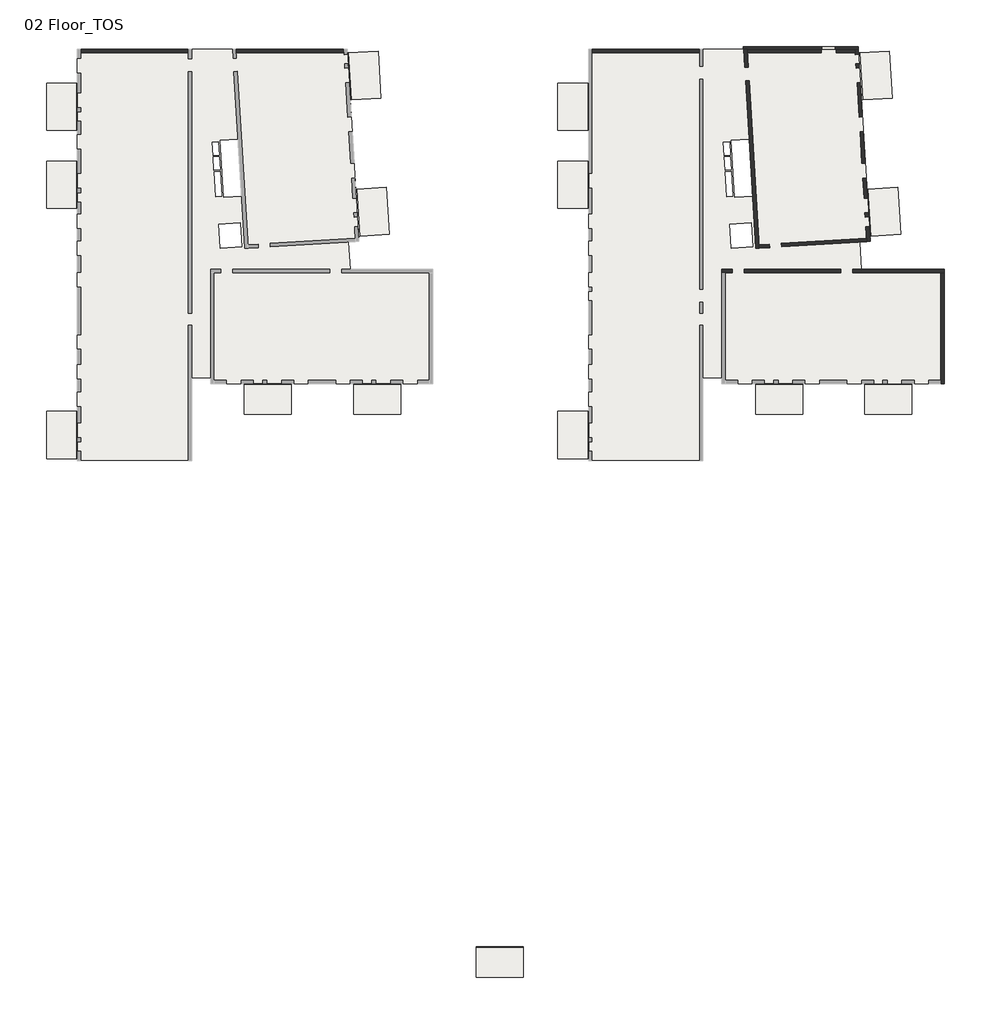
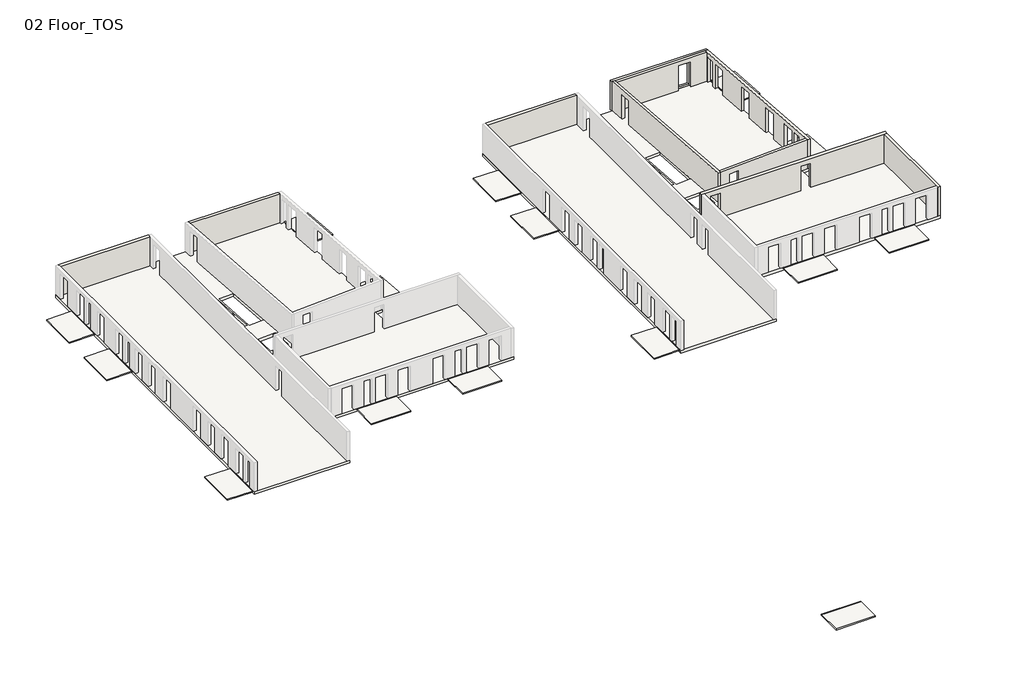
# One storey, part 2 of 2: 33 slabs, 10 walls.
"""IFC4 building model written with IfcOpenShell, lengths in millimetres."""

import ifcopenshell
import ifcopenshell.guid

model = None  # the IFC model being written
_history = None  # IfcOwnerHistory: only IFC2X3 demands one
_inside = {}  # id of a spatial element -> (the spatial element, [elements in it])
_under = {}  # id of a project, library or spatial element -> (it, [spatial elements below it])
_declared = {}  # id of a project -> (the project, [libraries it declares])
_typed = {}  # id of a type object -> (the type object, [elements of that type])
_made_of = {}  # id of a material, layer set ... -> (it, [elements and type objects made of it])


def new_model(schema):
    """Start an empty IFC model of exactly this schema.

    Asked for "IFC4X3", IfcOpenShell would pick the latest addendum, in which some entities
    have other attributes; the version numbers below select the first issue.
    IFC2X3 requires an IfcOwnerHistory on every rooted entity: one is made here for all.
    """
    global model, _history
    if schema == "IFC4X3":
        model = ifcopenshell.file(schema_version=(4, 3, 0, 0))
    else:
        model = ifcopenshell.file(schema=schema)
    _inside.clear()
    _under.clear()
    _declared.clear()
    _typed.clear()
    _made_of.clear()
    _history = None
    if model.schema == "IFC2X3":
        org = make("IfcOrganization", Name="unknown")
        user = make(
            "IfcPersonAndOrganization",
            ThePerson=make("IfcPerson", FamilyName="unknown"),
            TheOrganization=org,
        )
        app = make(
            "IfcApplication",
            ApplicationDeveloper=org,
            Version="unknown",
            ApplicationFullName="unknown",
            ApplicationIdentifier="unknown",
        )
        _history = make(
            "IfcOwnerHistory",
            OwningUser=user,
            OwningApplication=app,
            ChangeAction="ADDED",
            CreationDate=0,
        )
    return model


def make(cls, **values):
    """One entity of the class cls with the attributes given. An attribute that is None is left unset."""
    return model.create_entity(
        cls, **{name: value for name, value in values.items() if value is not None}
    )


def rooted(cls, **values):
    """An entity with a GlobalId (a new one), such as an element, a storey or a relation."""
    return make(cls, GlobalId=ifcopenshell.guid.new(), OwnerHistory=_history, **values)


def si_unit(unit_type, name, prefix=None):
    """IfcSIUnit, for example si_unit("LENGTHUNIT", "METRE", prefix="MILLI")."""
    return make("IfcSIUnit", UnitType=unit_type, Prefix=prefix, Name=name)


def assignment(units):
    """IfcUnitAssignment: the units of a project."""
    return None if units is None else make("IfcUnitAssignment", Units=units)


def point(xyz):
    """IfcCartesianPoint."""
    return None if xyz is None else make("IfcCartesianPoint", Coordinates=xyz)


def direction(xyz):
    """IfcDirection."""
    return None if xyz is None else make("IfcDirection", DirectionRatios=xyz)


def frame(location, z_axis=None, x_axis=None):
    """IfcAxis2Placement3D, a coordinate frame: its origin and axes. An axis left out is left unset."""
    return make(
        "IfcAxis2Placement3D",
        Location=point(location),
        Axis=direction(z_axis),
        RefDirection=direction(x_axis),
    )


def origin():
    """The frame at (0, 0, 0) with its axes left unset."""
    return frame((0.0, 0.0, 0.0))


def place(relative_to, where):
    """IfcLocalPlacement: puts the frame where relative to a parent placement (None: the world)."""
    return make(
        "IfcLocalPlacement", PlacementRelTo=relative_to, RelativePlacement=where
    )


def context(
    kind, dimensions, precision=None, world=None, true_north=None, identifier=None
):
    """IfcGeometricRepresentationContext, for example the 3D "Model" context."""
    return make(
        "IfcGeometricRepresentationContext",
        ContextIdentifier=identifier,
        ContextType=kind,
        CoordinateSpaceDimension=dimensions,
        Precision=precision,
        WorldCoordinateSystem=world,
        TrueNorth=true_north,
    )


def project(units=None, contexts=None):
    """IfcProject with its units and contexts."""
    return rooted(
        "IfcProject",
        Name="project",
        RepresentationContexts=contexts,
        UnitsInContext=assignment(units),
    )


def spatial(cls, under=None, at=None, **own):
    """A site, building, storey or space (cls), placed at a placement, below another one or the project."""
    s = rooted(cls, ObjectPlacement=at, **own)
    if under is not None:
        _under.setdefault(under.id(), (under, []))[1].append(s)
    return s


def polyline(points):
    """IfcPolyline through the points."""
    return make("IfcPolyline", Points=[point(p) for p in points])


def outline(outer, holes=None, kind="AREA"):
    """IfcArbitraryClosedProfileDef: a profile drawn as a closed curve; with holes, ...WithVoids."""
    if holes is None:
        return make("IfcArbitraryClosedProfileDef", ProfileType=kind, OuterCurve=outer)
    return make(
        "IfcArbitraryProfileDefWithVoids",
        ProfileType=kind,
        OuterCurve=outer,
        InnerCurves=holes,
    )


def extrude(swept, where, along, depth):
    """IfcExtrudedAreaSolid: the profile swept, set in the frame where, extruded along a direction by depth."""
    return make(
        "IfcExtrudedAreaSolid",
        SweptArea=swept,
        Position=where,
        ExtrudedDirection=direction(along),
        Depth=depth,
    )


def faces_of(points, faces, orient=None, outer=None):
    """IfcFace entities. A face is a list of loops; a loop is a list of indices into points, from 0.

    orient and outer hold one flag for each loop. By default every Orientation is true, the
    first loop of a face is its IfcFaceOuterBound and the others are IfcFaceBound.
    """
    made = []
    for i, loops in enumerate(faces):
        bounds = []
        for j, loop in enumerate(loops):
            is_outer = j == 0 if outer is None else outer[i][j]
            bounds.append(
                make(
                    "IfcFaceOuterBound" if is_outer else "IfcFaceBound",
                    Bound=make("IfcPolyLoop", Polygon=[points[k] for k in loop]),
                    Orientation=True if orient is None else orient[i][j],
                )
            )
        made.append(make("IfcFace", Bounds=bounds))
    return made


def faceted_brep(points, faces, orient=None, outer=None, voids=None):
    """IfcFacetedBrep: a solid bounded by flat faces; with voids (closed shells), ...WithVoids."""
    shared = [point(p) for p in points]
    hull = make("IfcClosedShell", CfsFaces=faces_of(shared, faces, orient, outer))
    if voids is None:
        return make("IfcFacetedBrep", Outer=hull)
    return make(
        "IfcFacetedBrepWithVoids",
        Outer=hull,
        Voids=[
            make(cls, CfsFaces=faces_of(shared, fs, o, b)) for cls, fs, o, b in voids
        ],
    )


def shape(context_of_items, identifier, shape_type, items):
    """IfcShapeRepresentation: the items that make up one representation, for example the "Body"."""
    return make(
        "IfcShapeRepresentation",
        ContextOfItems=context_of_items,
        RepresentationIdentifier=identifier,
        RepresentationType=shape_type,
        Items=items,
    )


def made_of(thing, what):
    """Note that an element or type object is made of a material, layer set ...; save() writes the relation."""
    if what is not None:
        _made_of.setdefault(what.id(), (what, []))[1].append(thing)
    return thing


def element(
    cls,
    number,
    at=None,
    inside=None,
    cuts=None,
    type_object=None,
    material=None,
    context=None,
    identifier="Body",
    shape_type=None,
    held_by="IfcProductDefinitionShape",
    body=None,
    shapes=None,
    **own,
):
    """One element of the class cls, such as IfcWall. Its Tag is "e" and its number.

    at: its placement. inside: the storey or other place that contains it. cuts: it is an
    opening in that element (IfcRelVoidsElement). A single representation is given by context,
    identifier, shape_type and body (its items); several are given by shapes. held_by: the class
    of the entity that holds the representations. save() writes the other relations.
    """
    e = rooted(cls, Tag="e%d" % number, ObjectPlacement=at, **own)
    if body is not None:
        shapes = [shape(context, identifier, shape_type, body)]
    if shapes is not None:
        e.Representation = make(held_by, Representations=shapes)
    if inside is not None:
        _inside.setdefault(inside.id(), (inside, []))[1].append(e)
    if cuts is not None:
        rooted(
            "IfcRelVoidsElement", RelatingBuildingElement=cuts, RelatedOpeningElement=e
        )
    if type_object is not None:
        _typed.setdefault(type_object.id(), (type_object, []))[1].append(e)
    return made_of(e, material)


def aggregate(whole, parts):
    """IfcRelAggregates: a whole, such as a stair, and the parts it consists of."""
    return rooted("IfcRelAggregates", RelatingObject=whole, RelatedObjects=parts)


def save(model, path):
    """Write the relations noted so far, then the file.

    IfcRelAggregates (storeys below a building ...), IfcRelContainedInSpatialStructure (elements
    in a storey), IfcRelDefinesByType, IfcRelAssociatesMaterial and IfcRelDeclares: one each for
    every whole, place, type object, material and project.
    """
    for whole, parts in _under.values():
        aggregate(whole, parts)
    for where, things in _inside.values():
        rooted(
            "IfcRelContainedInSpatialStructure",
            RelatedElements=things,
            RelatingStructure=where,
        )
    for kind, things in _typed.values():
        rooted("IfcRelDefinesByType", RelatedObjects=things, RelatingType=kind)
    for what, things in _made_of.values():
        rooted("IfcRelAssociatesMaterial", RelatedObjects=things, RelatingMaterial=what)
    for by, libraries in _declared.values():
        rooted("IfcRelDeclares", RelatingContext=by, RelatedDefinitions=libraries)
    model.write(path)


model = new_model("IFC4")

# Units and contexts
model_context = context("Model", 3, world=origin())
ifc_project = project(units=[si_unit("LENGTHUNIT", "METRE", prefix="MILLI")], contexts=[model_context])

# Site, building, storey
site = spatial("IfcSite", under=ifc_project)
building = spatial("IfcBuilding", under=site)
storey = spatial("IfcBuildingStorey", under=building, Name="02 Floor_TOS", Elevation=6850.0)

# Slabs
placement = place(None, origin())
element("IfcSlab", 1, at=placement, inside=storey, context=model_context, shape_type="SweptSolid", body=[
    extrude(outline(polyline([(30935.9325551, 8399.4012959), (30935.9325551, 8319.4012959), (27435.9325551, 8319.4012959), (27435.9325551, 8399.4012959), (30935.9325551, 8399.4012959)])), frame((0.0, 0.0, 6750.0), z_axis=(0.0, 0.0, 1.0), x_axis=(1.0, 0.0, 0.0)), (0.0, 0.0, 1.0), 100.0),
])
element("IfcSlab", 2, at=placement, inside=storey, context=model_context, shape_type="SweptSolid", body=[
    extrude(outline(polyline([(6899.5112257, 2834.7883888), (6819.5112257, 2834.7883888), (6819.5112257, 6334.7883888), (6899.5112257, 6334.7883888), (6899.5112257, 2834.7883888)])), frame((0.0, 0.0, 6750.0), z_axis=(0.0, 0.0, 1.0), x_axis=(1.0, 0.0, 0.0)), (0.0, 0.0, 1.0), 100.0),
])
element("IfcSlab", 3, at=placement, inside=storey, context=model_context, shape_type="SweptSolid", body=[
    extrude(outline(polyline([(22815.9325551, 8399.4012959), (22815.9325551, 8319.4012959), (19315.9325551, 8319.4012959), (19315.9325551, 8399.4012959), (22815.9325551, 8399.4012959)])), frame((0.0, 0.0, 6750.0), z_axis=(0.0, 0.0, 1.0), x_axis=(1.0, 0.0, 0.0)), (0.0, 0.0, 1.0), 100.0),
])
element("IfcSlab", 4, at=placement, inside=storey, context=model_context, shape_type="SweptSolid", body=[
    extrude(outline(polyline([(6899.5112257, 27241.429446), (6819.5112257, 27241.429446), (6819.5112257, 30741.429446), (6899.5112257, 30741.429446), (6899.5112257, 27241.429446)])), frame((0.0, 0.0, 6750.0), z_axis=(0.0, 0.0, 1.0), x_axis=(1.0, 0.0, 0.0)), (0.0, 0.0, 1.0), 100.0),
])
element("IfcSlab", 5, at=placement, inside=storey, context=model_context, shape_type="SweptSolid", body=[
    extrude(outline(polyline([(6899.5112471, 24920.9194272), (6899.5112471, 21420.9194272), (6819.5112471, 21420.9194272), (6819.5112471, 24920.9194272), (6899.5112471, 24920.9194272)])), frame((0.0, 0.0, 6750.0), z_axis=(0.0, 0.0, 1.0), x_axis=(1.0, 0.0, 0.0)), (0.0, 0.0, 1.0), 100.0),
])
element("IfcSlab", 6, at=placement, inside=storey, context=model_context, shape_type="SweptSolid", body=[
    extrude(outline(polyline([(27798.9442043, 19365.8863055), (27585.2743159, 22859.3581), (27665.1250998, 22864.2419831), (27878.7949882, 19370.7701886), (27798.9442043, 19365.8863055)])), frame((0.0, 0.0, 6750.0), z_axis=(0.0, 0.0, 1.0), x_axis=(1.0, 0.0, 0.0)), (0.0, 0.0, 1.0), 100.0),
])
element("IfcSlab", 7, at=placement, inside=storey, context=model_context, shape_type="SweptSolid", body=[
    extrude(outline(polyline([(26966.2421251, 32980.444956), (27046.0929089, 32985.3288391), (27259.7627973, 29491.8570446), (27179.9120134, 29486.9731615), (26966.2421251, 32980.444956)])), frame((0.0, 0.0, 6750.0), z_axis=(0.0, 0.0, 1.0), x_axis=(1.0, 0.0, 0.0)), (0.0, 0.0, 1.0), 100.0),
])
element("IfcSlab", 8, at=placement, inside=storey, context=model_context, shape_type="SweptSolid", body=[
    extrude(outline(polyline([(68935.9325551, 8399.4012959), (68935.9325551, 8319.4012959), (65435.9325551, 8319.4012959), (65435.9325551, 8399.4012959), (68935.9325551, 8399.4012959)])), frame((0.0, 0.0, 6750.0), z_axis=(0.0, 0.0, 1.0), x_axis=(1.0, 0.0, 0.0)), (0.0, 0.0, 1.0), 100.0),
])
element("IfcSlab", 9, at=placement, inside=storey, context=model_context, shape_type="SweptSolid", body=[
    extrude(outline(polyline([(60815.9325551, 8399.4012959), (60815.9325551, 8319.4012959), (57315.9325551, 8319.4012959), (57315.9325551, 8399.4012959), (60815.9325551, 8399.4012959)])), frame((0.0, 0.0, 6750.0), z_axis=(0.0, 0.0, 1.0), x_axis=(1.0, 0.0, 0.0)), (0.0, 0.0, 1.0), 100.0),
])
element("IfcSlab", 10, at=placement, inside=storey, context=model_context, shape_type="SweptSolid", body=[
    extrude(outline(polyline([(44899.5112257, 27241.429446), (44819.5112257, 27241.429446), (44819.5112257, 30741.429446), (44899.5112257, 30741.429446), (44899.5112257, 27241.429446)])), frame((0.0, 0.0, 6750.0), z_axis=(0.0, 0.0, 1.0), x_axis=(1.0, 0.0, 0.0)), (0.0, 0.0, 1.0), 100.0),
])
element("IfcSlab", 11, at=placement, inside=storey, context=model_context, shape_type="SweptSolid", body=[
    extrude(outline(polyline([(44899.5112471, 24920.9194272), (44899.5112471, 21420.9194272), (44819.5112471, 21420.9194272), (44819.5112471, 24920.9194272), (44899.5112471, 24920.9194272)])), frame((0.0, 0.0, 6750.0), z_axis=(0.0, 0.0, 1.0), x_axis=(1.0, 0.0, 0.0)), (0.0, 0.0, 1.0), 100.0),
])
element("IfcSlab", 12, at=placement, inside=storey, context=model_context, shape_type="SweptSolid", body=[
    extrude(outline(polyline([(65798.9442043, 19365.8863055), (65585.2743159, 22859.3581), (65665.1250998, 22864.2419831), (65878.7949882, 19370.7701886), (65798.9442043, 19365.8863055)])), frame((0.0, 0.0, 6750.0), z_axis=(0.0, 0.0, 1.0), x_axis=(1.0, 0.0, 0.0)), (0.0, 0.0, 1.0), 100.0),
])
element("IfcSlab", 13, at=placement, inside=storey, context=model_context, shape_type="SweptSolid", body=[
    extrude(outline(polyline([(44899.5112257, 2834.7883888), (44819.5112257, 2834.7883888), (44819.5112257, 6334.7883888), (44899.5112257, 6334.7883888), (44899.5112257, 2834.7883888)])), frame((0.0, 0.0, 6750.0), z_axis=(0.0, 0.0, 1.0), x_axis=(1.0, 0.0, 0.0)), (0.0, 0.0, 1.0), 100.0),
])
element("IfcSlab", 14, at=placement, inside=storey, context=model_context, shape_type="SweptSolid", body=[
    extrude(outline(polyline([(64966.2421251, 32980.444956), (65046.0929089, 32985.3288391), (65259.7627973, 29491.8570446), (65179.9120134, 29486.9731615), (64966.2421251, 32980.444956)])), frame((0.0, 0.0, 6750.0), z_axis=(0.0, 0.0, 1.0), x_axis=(1.0, 0.0, 0.0)), (0.0, 0.0, 1.0), 100.0),
])
element("IfcSlab", 15, at=placement, inside=storey, context=model_context, shape_type="SweptSolid", body=[
    extrude(outline(polyline([(44899.5112257, 2834.7883888), (44819.5112257, 2834.7883888), (44819.5112257, 6334.7883888), (44899.5112257, 6334.7883888), (44899.5112257, 2834.7883888)])), frame((0.0, 0.0, 6750.0), z_axis=(0.0, 0.0, 1.0), x_axis=(1.0, 0.0, 0.0)), (0.0, 0.0, 1.0), 100.0),
])
element("IfcSlab", 16, at=placement, inside=storey, context=model_context, shape_type="SweptSolid", body=[
    extrude(outline(polyline([(40051.5348772, -33444.8981251), (40051.5348772, -33524.8981251), (36551.5348772, -33524.8981251), (36551.5348772, -33444.8981251), (40051.5348772, -33444.8981251)])), frame((0.0, 0.0, 6750.0), z_axis=(0.0, 0.0, 1.0), x_axis=(1.0, 0.0, 0.0)), (0.0, 0.0, 1.0), 100.0),
])
element("IfcSlab", 17, ObjectType="I_STB (10)", at=placement, inside=storey, context=model_context, shape_type="SweptSolid", body=[
    extrude(outline(polyline([(30935.9325551, 6109.4012767), (27435.9325551, 6109.4012767), (27435.9325551, 8319.4012959), (30935.9325551, 8319.4012959), (30935.9325551, 6109.4012767)])), frame((0.0, 0.0, 6750.0), z_axis=(0.0, 0.0, 1.0), x_axis=(1.0, 0.0, 0.0)), (0.0, 0.0, 1.0), 100.0),
])
element("IfcSlab", 18, ObjectType="I_STB (10)", at=placement, inside=storey, context=model_context, shape_type="SweptSolid", body=[
    extrude(outline(polyline([(4609.5112064, 2834.7883888), (4609.5112064, 6334.7883888), (6819.5112257, 6334.7883888), (6819.5112257, 2834.7883888), (4609.5112064, 2834.7883888)])), frame((0.0, 0.0, 6750.0), z_axis=(0.0, 0.0, 1.0), x_axis=(1.0, 0.0, 0.0)), (0.0, 0.0, 1.0), 100.0),
])
element("IfcSlab", 19, ObjectType="I_STB (10)", at=placement, inside=storey, context=model_context, shape_type="SweptSolid", body=[
    extrude(outline(polyline([(22815.9325551, 6109.4012767), (19315.9325551, 6109.4012767), (19315.9325551, 8319.4012959), (22815.9325551, 8319.4012959), (22815.9325551, 6109.4012767)])), frame((0.0, 0.0, 6750.0), z_axis=(0.0, 0.0, 1.0), x_axis=(1.0, 0.0, 0.0)), (0.0, 0.0, 1.0), 100.0),
])
element("IfcSlab", 20, ObjectType="I_STB (10)", at=placement, inside=storey, context=model_context, shape_type="SweptSolid", body=[
    extrude(outline(polyline([(4609.5112064, 27241.429446), (4609.5112064, 30741.429446), (6819.5112257, 30741.429446), (6819.5112257, 27241.429446), (4609.5112064, 27241.429446)])), frame((0.0, 0.0, 6750.0), z_axis=(0.0, 0.0, 1.0), x_axis=(1.0, 0.0, 0.0)), (0.0, 0.0, 1.0), 100.0),
])
element("IfcSlab", 21, ObjectType="I_STB (10)", at=placement, inside=storey, context=model_context, shape_type="SweptSolid", body=[
    extrude(outline(polyline([(4609.5112278, 24920.9194272), (6819.5112471, 24920.9194272), (6819.5112471, 21420.9194272), (4609.5112278, 21420.9194272), (4609.5112278, 24920.9194272)])), frame((0.0, 0.0, 6750.0), z_axis=(0.0, 0.0, 1.0), x_axis=(1.0, 0.0, 0.0)), (0.0, 0.0, 1.0), 100.0),
])
element("IfcSlab", 22, ObjectType="I_STB (10)", at=placement, inside=storey, context=model_context, shape_type="SweptSolid", body=[
    extrude(outline(polyline([(30084.6729119, 19505.6874622), (27878.7949882, 19370.7701886), (27665.1250998, 22864.2419831), (29871.0030236, 22999.1592567), (30084.6729119, 19505.6874622)])), frame((0.0, 0.0, 6750.0), z_axis=(0.0, 0.0, 1.0), x_axis=(1.0, 0.0, 0.0)), (0.0, 0.0, 1.0), 100.0),
])
element("IfcSlab", 23, ObjectType="I_STB (10)", at=placement, inside=storey, context=model_context, shape_type="SweptSolid", body=[
    extrude(outline(polyline([(29251.9708327, 33120.2461127), (29465.640721, 29626.7743182), (27259.7627973, 29491.8570446), (27046.0929089, 32985.3288391), (29251.9708327, 33120.2461127)])), frame((0.0, 0.0, 6750.0), z_axis=(0.0, 0.0, 1.0), x_axis=(1.0, 0.0, 0.0)), (0.0, 0.0, 1.0), 100.0),
])
element("IfcSlab", 24, ObjectType="I_STB (10)", at=placement, inside=storey, context=model_context, shape_type="SweptSolid", body=[
    extrude(outline(polyline([(68935.9325551, 6109.4012767), (65435.9325551, 6109.4012767), (65435.9325551, 8319.4012959), (68935.9325551, 8319.4012959), (68935.9325551, 6109.4012767)])), frame((0.0, 0.0, 6750.0), z_axis=(0.0, 0.0, 1.0), x_axis=(1.0, 0.0, 0.0)), (0.0, 0.0, 1.0), 100.0),
])
element("IfcSlab", 25, ObjectType="I_STB (10)", at=placement, inside=storey, context=model_context, shape_type="SweptSolid", body=[
    extrude(outline(polyline([(60815.9325551, 6109.4012767), (57315.9325551, 6109.4012767), (57315.9325551, 8319.4012959), (60815.9325551, 8319.4012959), (60815.9325551, 6109.4012767)])), frame((0.0, 0.0, 6750.0), z_axis=(0.0, 0.0, 1.0), x_axis=(1.0, 0.0, 0.0)), (0.0, 0.0, 1.0), 100.0),
])
element("IfcSlab", 26, ObjectType="I_STB (10)", at=placement, inside=storey, context=model_context, shape_type="SweptSolid", body=[
    extrude(outline(polyline([(42609.5112064, 27241.429446), (42609.5112064, 30741.429446), (44819.5112257, 30741.429446), (44819.5112257, 27241.429446), (42609.5112064, 27241.429446)])), frame((0.0, 0.0, 6750.0), z_axis=(0.0, 0.0, 1.0), x_axis=(1.0, 0.0, 0.0)), (0.0, 0.0, 1.0), 100.0),
])
element("IfcSlab", 27, ObjectType="I_STB (10)", at=placement, inside=storey, context=model_context, shape_type="SweptSolid", body=[
    extrude(outline(polyline([(42609.5112278, 24920.9194272), (44819.5112471, 24920.9194272), (44819.5112471, 21420.9194272), (42609.5112278, 21420.9194272), (42609.5112278, 24920.9194272)])), frame((0.0, 0.0, 6750.0), z_axis=(0.0, 0.0, 1.0), x_axis=(1.0, 0.0, 0.0)), (0.0, 0.0, 1.0), 100.0),
])
element("IfcSlab", 28, ObjectType="I_STB (10)", at=placement, inside=storey, context=model_context, shape_type="SweptSolid", body=[
    extrude(outline(polyline([(68084.6729119, 19505.6874622), (65878.7949882, 19370.7701886), (65665.1250998, 22864.2419831), (67871.0030236, 22999.1592567), (68084.6729119, 19505.6874622)])), frame((0.0, 0.0, 6750.0), z_axis=(0.0, 0.0, 1.0), x_axis=(1.0, 0.0, 0.0)), (0.0, 0.0, 1.0), 100.0),
])
element("IfcSlab", 29, ObjectType="I_STB (10)", at=placement, inside=storey, context=model_context, shape_type="SweptSolid", body=[
    extrude(outline(polyline([(67251.9708327, 33120.2461127), (67465.640721, 29626.7743182), (65259.7627973, 29491.8570446), (65046.0929089, 32985.3288391), (67251.9708327, 33120.2461127)])), frame((0.0, 0.0, 6750.0), z_axis=(0.0, 0.0, 1.0), x_axis=(1.0, 0.0, 0.0)), (0.0, 0.0, 1.0), 100.0),
])
element("IfcSlab", 30, ObjectType="I_STB (10)", at=placement, inside=storey, context=model_context, shape_type="SweptSolid", body=[
    extrude(outline(polyline([(42609.5112064, 2834.7883888), (42609.5112064, 6334.7883888), (44819.5112257, 6334.7883888), (44819.5112257, 2834.7883888), (42609.5112064, 2834.7883888)])), frame((0.0, 0.0, 6750.0), z_axis=(0.0, 0.0, 1.0), x_axis=(1.0, 0.0, 0.0)), (0.0, 0.0, 1.0), 100.0),
])
element("IfcSlab", 31, ObjectType="I_STB (10)", at=placement, inside=storey, context=model_context, shape_type="SweptSolid", body=[
    extrude(outline(polyline([(40051.5348772, -35734.8981444), (36551.5348772, -35734.8981444), (36551.5348772, -33524.8981251), (40051.5348772, -33524.8981251), (40051.5348772, -35734.8981444)])), frame((0.0, 0.0, 6750.0), z_axis=(0.0, 0.0, 1.0), x_axis=(1.0, 0.0, 0.0)), (0.0, 0.0, 1.0), 100.0),
])
element("IfcSlab", 32, ObjectType="I_STB (20)", at=placement, inside=storey, context=model_context, shape_type="SweptSolid", body=[
    extrude(outline(polyline([(6899.5112257, 33257.8507754), (26949.2752583, 33257.8507754), (27822.7531326, 18976.6137696), (27044.2722099, 18928.9998366), (27168.4077745, 16899.4012959), (33319.5112257, 16899.4012959), (33319.5112257, 8399.4012959), (16799.5112257, 8399.4012959), (16799.5112257, 8823.2434159), (15399.5112257, 8823.2434159), (15399.5112257, 2692.8585978), (6899.5112257, 2692.8585978), (6899.5112257, 33257.8507754)]), holes=[polyline([(17504.433014, 18470.7518615), (19101.4051178, 18568.4268596), (18991.5177466, 20365.0694968), (17394.5456428, 20267.3944986), (17504.433014, 18470.7518615)]), polyline([(17173.5331049, 22311.9224189), (17622.6882895, 22339.4836255), (17509.3814935, 24186.0106316), (17060.2263089, 24158.449425), (17173.5331049, 22311.9224189)]), polyline([(17435.8852037, 25383.7577105), (17374.6382907, 26381.8803561), (16925.4831002, 26354.3192453), (16986.7300132, 25356.1965997), (17435.8852037, 25383.7577105)]), polyline([(17054.1016176, 24258.2616895), (17503.2568022, 24285.8228961), (17442.009895, 25283.945446), (16992.8547045, 25256.3843351), (17054.1016176, 24258.2616895)]), polyline([(17518.2319962, 26490.8796577), (17778.5313767, 22248.8584139), (19101.7638971, 22330.0547553), (18842.3075989, 26572.1277324), (17518.2319962, 26490.8796577)])]), frame((0.0, 0.0, 6600.0), z_axis=(0.0, 0.0, 1.0), x_axis=(1.0, 0.0, 0.0)), (0.0, 0.0, 1.0), 250.0),
])
element("IfcSlab", 33, ObjectType="I_STB (20)", at=placement, inside=storey, context=model_context, shape_type="SweptSolid", body=[
    extrude(outline(polyline([(44899.5112257, 33257.8507754), (64949.2752583, 33257.8507754), (65822.7531326, 18976.6137696), (65044.2722099, 18928.9998366), (65168.4077745, 16899.4012959), (71319.5112257, 16899.4012959), (71319.5112257, 8399.4012959), (54799.5112257, 8399.4012959), (54799.5112257, 8823.2434159), (53399.5112257, 8823.2434159), (53399.5112257, 2692.8585978), (44899.5112257, 2692.8585978), (44899.5112257, 33257.8507754)]), holes=[polyline([(55504.433014, 18470.7518615), (57101.4051178, 18568.4268596), (56991.5177466, 20365.0694968), (55394.5456428, 20267.3944986), (55504.433014, 18470.7518615)]), polyline([(55173.5331049, 22311.9224189), (55622.6882895, 22339.4836255), (55509.3814935, 24186.0106316), (55060.2263089, 24158.449425), (55173.5331049, 22311.9224189)]), polyline([(55435.8852037, 25383.7577105), (55374.6382907, 26381.8803561), (54925.4831002, 26354.3192453), (54986.7300132, 25356.1965997), (55435.8852037, 25383.7577105)]), polyline([(55054.1016176, 24258.2616895), (55503.2568022, 24285.8228961), (55442.009895, 25283.945446), (54992.8547045, 25256.3843351), (55054.1016176, 24258.2616895)]), polyline([(55518.2319962, 26490.8796577), (55778.5313767, 22248.8584139), (57101.7638971, 22330.0547553), (56842.3075989, 26572.1277324), (55518.2319962, 26490.8796577)])]), frame((0.0, 0.0, 6600.0), z_axis=(0.0, 0.0, 1.0), x_axis=(1.0, 0.0, 0.0)), (0.0, 0.0, 1.0), 250.0),
])

# Walls
element("IfcWall", 34, ObjectType="GK(2) WD(15)", at=placement, inside=storey, context=model_context, shape_type="Brep", body=[
    faceted_brep([(64949.2752583, 33257.8507754, 9600.0), (56389.7049222, 33257.8507754, 9600.0), (56389.7049222, 33257.8507754, 6850.0), (62196.0766084, 33257.8507754, 6850.0), (63296.0766084, 33257.8507754, 6850.0), (64949.2752583, 33257.8507754, 6850.0), (63246.0766084, 33257.8507754, 9150.0), (63246.0766084, 33257.8507754, 7000.0), (62246.0766084, 33257.8507754, 7000.0), (62246.0766084, 33257.8507754, 9150.0), (64937.0427343, 33457.8507754, 6850.0), (56389.7049222, 33457.8507754, 6850.0), (56389.7049222, 33457.8507754, 9600.0), (64937.0427343, 33457.8507754, 9600.0), (63246.0766084, 33457.8507754, 6990.0), (63246.0766084, 33457.8507754, 9150.0), (62246.0766084, 33457.8507754, 9150.0), (62246.0766084, 33457.8507754, 6990.0)], [[[0, 1, 2, 3, 4, 5], [6, 7, 8, 9]], [[10, 11, 12, 13], [14, 15, 16, 17]], [[11, 10, 5, 4, 3, 2]], [[1, 0, 13, 12]], [[2, 1, 12, 11]], [[0, 5, 10, 13]], [[14, 7, 6, 15]], [[7, 14, 17, 8]], [[8, 17, 16, 9]], [[15, 6, 9, 16]]]),
])
element("IfcWall", 35, ObjectType="STB(25)", at=placement, inside=storey, context=model_context, shape_type="SweptSolid", body=[
    extrude(outline(polyline([(15149.5112257, 33007.8507754), (7084.5112257, 33007.8507754), (7084.5112257, 33257.8507754), (15149.5112257, 33257.8507754), (15149.5112257, 33007.8507754)])), frame((0.0, 0.0, 6850.0), z_axis=(0.0, 0.0, 1.0), x_axis=(1.0, 0.0, 0.0)), (0.0, 0.0, 1.0), 2750.0),
])
element("IfcWall", 36, ObjectType="STB(25)", at=placement, inside=storey, context=model_context, shape_type="Brep", body=[
    faceted_brep([(64949.2752583, 33257.8507754, 9600.0), (65822.7531326, 18976.6137696, 9600.0), (65822.7531326, 18976.6137696, 6850.0), (65754.3968698, 20094.228786, 6850.0), (65754.3968698, 20094.228786, 9200.0), (65711.6628922, 20792.9231449, 9200.0), (65711.6628922, 20792.9231449, 6850.0), (65692.7378448, 21102.3449336, 6850.0), (65692.7378448, 21102.3449336, 9200.0), (65625.5844513, 22200.2932118, 9200.0), (65625.5844513, 22200.2932118, 6850.0), (65534.1772783, 23694.7872811, 6850.0), (65534.1772783, 23694.7872811, 9200.0), (65467.0238848, 24792.7355593, 9200.0), (65467.0238848, 24792.7355593, 6850.0), (65324.1703023, 27128.3709876, 6850.0), (65324.1703023, 27128.3709876, 9200.0), (65257.0169088, 28226.3192659, 9200.0), (65257.0169088, 28226.3192659, 6850.0), (65101.343133, 30771.5630019, 6850.0), (65101.343133, 30771.5630019, 9200.0), (65034.1897395, 31869.5112801, 9200.0), (65034.1897395, 31869.5112801, 6850.0), (65015.2646922, 32178.9330676, 6850.0), (65015.2646922, 32178.9330676, 9200.0), (64972.5307145, 32877.6274265, 9200.0), (64972.5307145, 32877.6274265, 6850.0), (64949.2752583, 33257.8507754, 6850.0), (65573.2194329, 18961.3516347, 9600.0), (65557.9572981, 19210.8853343, 9600.0), (64714.0987416, 33007.8507754, 9600.0), (64698.8080865, 33257.8507754, 9600.0), (64698.8080865, 33257.8507754, 6850.0), (64714.0987416, 33007.8507754, 6850.0), (64722.9970149, 32862.3652917, 6850.0), (64722.9970149, 32862.3652917, 9200.0), (64765.7309926, 32163.6709328, 9200.0), (64765.7309926, 32163.6709328, 6850.0), (64784.6560399, 31854.2491452, 6850.0), (64784.6560399, 31854.2491452, 9200.0), (64851.8094334, 30756.300867, 9200.0), (64851.8094334, 30756.300867, 6850.0), (65007.4832092, 28211.057131, 6850.0), (65007.4832092, 28211.057131, 9200.0), (65074.6366027, 27113.1088527, 9200.0), (65074.6366027, 27113.1088527, 6850.0), (65217.4901852, 24777.4734244, 6850.0), (65217.4901852, 24777.4734244, 9200.0), (65284.6435787, 23679.5251462, 9200.0), (65284.6435787, 23679.5251462, 6850.0), (65376.0507517, 22185.031077, 6850.0), (65376.0507517, 22185.031077, 9200.0), (65443.2041452, 21087.0827987, 9200.0), (65443.2041452, 21087.0827987, 6850.0), (65462.1291926, 20777.66101, 6850.0), (65462.1291926, 20777.66101, 9200.0), (65504.8631702, 20078.9666511, 9200.0), (65504.8631702, 20078.9666511, 6850.0), (65557.9572981, 19210.8853343, 6850.0), (65573.2194329, 18961.3516347, 6850.0)], [[[0, 1, 2, 3, 4, 5, 6, 7, 8, 9, 10, 11, 12, 13, 14, 15, 16, 17, 18, 19, 20, 21, 22, 23, 24, 25, 26, 27]], [[28, 29, 30, 31, 32, 33, 34, 35, 36, 37, 38, 39, 40, 41, 42, 43, 44, 45, 46, 47, 48, 49, 50, 51, 52, 53, 54, 55, 56, 57, 58, 59]], [[37, 23, 22, 38]], [[2, 59, 58, 57, 3]], [[41, 19, 18, 42]], [[10, 50, 49, 11]], [[53, 7, 6, 54]], [[26, 34, 33, 32, 27]], [[45, 15, 14, 46]], [[1, 0, 31, 30, 29, 28]], [[25, 35, 34, 26]], [[36, 24, 23, 37]], [[56, 4, 3, 57]], [[5, 55, 54, 6]], [[2, 1, 28, 59]], [[20, 40, 39, 21]], [[40, 20, 19, 41]], [[21, 39, 38, 22]], [[8, 52, 51, 9]], [[9, 51, 50, 10]], [[52, 8, 7, 53]], [[24, 36, 35, 25]], [[4, 56, 55, 5]], [[16, 44, 43, 17]], [[44, 16, 15, 45]], [[17, 43, 42, 18]], [[12, 48, 47, 13]], [[48, 12, 11, 49]], [[13, 47, 46, 14]], [[0, 27, 32, 31]]]),
])
element("IfcWall", 37, ObjectType="STB(25)", at=placement, inside=storey, context=model_context, shape_type="SweptSolid", body=[
    extrude(outline(polyline([(8533.3975569, -2750.0), (533.397399, -2750.0), (533.397399, 0.0), (1298.4461631, 0.0), (1298.4461631, -2295.0), (2188.4461631, -2295.0), (2188.4461631, 0.0), (8533.3975569, 0.0), (8533.3975569, -2750.0)])), frame((57055.7383826, 18440.4001766, 6850.0), z_axis=(-0.06104853953485425, 0.9981347984218671, 0.0), x_axis=(0.9981347984218671, 0.06104853953485425, 0.0)), (0.0, 0.0, 1.0), 250.0),
])
element("IfcWall", 38, ObjectType="STB(25)", at=placement, inside=storey, context=model_context, shape_type="Brep", body=[
    faceted_brep([(57338.6071883, 18457.7011739, 9600.0), (56433.39126, 33257.8507754, 9600.0), (56433.39126, 33257.8507754, 6850.0), (56516.2833651, 31902.5768377, 6850.0), (56516.2833651, 31902.5768377, 9145.0), (56576.7214192, 30914.4233872, 9145.0), (56576.7214192, 30914.4233872, 6850.0), (57338.6071883, 18457.7011739, 6850.0), (56683.8584318, 33257.8507754, 9600.0), (56699.1490868, 33007.8507754, 9600.0), (57572.878753, 18722.4970084, 9600.0), (57588.1408879, 18472.9633088, 9600.0), (57588.1408879, 18472.9633088, 6850.0), (57572.878753, 18722.4970084, 6850.0), (56826.2551188, 30929.6855221, 6850.0), (56826.2551188, 30929.6855221, 9145.0), (56765.8170647, 31917.8389725, 9145.0), (56765.8170647, 31917.8389725, 6850.0), (56699.1490868, 33007.8507754, 6850.0), (56683.8584318, 33257.8507754, 6850.0)], [[[0, 1, 2, 3, 4, 5, 6, 7]], [[8, 9, 10, 11, 12, 13, 14, 15, 16, 17, 18, 19]], [[12, 7, 6, 14, 13]], [[2, 19, 18, 17, 3]], [[1, 0, 11, 10, 9, 8]], [[0, 7, 12, 11]], [[5, 15, 14, 6]], [[16, 4, 3, 17]], [[15, 5, 4, 16]], [[2, 1, 8, 19]]]),
])
element("IfcWall", 39, ObjectType="STB(25)", at=placement, inside=storey, context=model_context, shape_type="Brep", body=[
    faceted_brep([(71319.5112257, 16649.4012959, 9600.0), (71069.5112257, 16649.4012959, 9600.0), (55049.5112257, 16649.4012959, 9600.0), (54799.5112257, 16649.4012959, 9600.0), (54799.5112257, 16649.4012959, 6850.0), (55049.5112257, 16649.4012959, 6850.0), (55569.2673858, 16649.4012959, 6850.0), (55569.2673858, 16649.4012959, 9145.0), (56459.2673858, 16649.4012959, 9145.0), (56459.2673858, 16649.4012959, 6850.0), (63659.2606665, 16649.4012959, 6850.0), (63659.2606665, 16649.4012959, 9145.0), (64549.2606665, 16649.4012959, 9145.0), (64549.2606665, 16649.4012959, 6850.0), (71069.5112257, 16649.4012959, 6850.0), (71319.5112257, 16649.4012959, 6850.0), (54799.5112257, 16899.4012959, 9600.0), (71319.5112257, 16899.4012959, 9600.0), (71319.5112257, 16899.4012959, 6850.0), (64549.2606665, 16899.4012959, 6850.0), (64549.2606665, 16899.4012959, 9145.0), (63659.2606665, 16899.4012959, 9145.0), (63659.2606665, 16899.4012959, 6850.0), (56459.2673858, 16899.4012959, 6850.0), (56459.2673858, 16899.4012959, 9145.0), (55569.2673858, 16899.4012959, 9145.0), (55569.2673858, 16899.4012959, 6850.0), (54799.5112257, 16899.4012959, 6850.0)], [[[0, 1, 2, 3, 4, 5, 6, 7, 8, 9, 10, 11, 12, 13, 14, 15]], [[16, 17, 18, 19, 20, 21, 22, 23, 24, 25, 26, 27]], [[6, 5, 4, 27, 26]], [[18, 15, 14, 13, 19]], [[9, 23, 22, 10]], [[3, 2, 1, 0, 17, 16]], [[4, 3, 16, 27]], [[0, 15, 18, 17]], [[7, 6, 26, 25]], [[9, 8, 24, 23]], [[8, 7, 25, 24]], [[21, 11, 10, 22]], [[12, 20, 19, 13]], [[11, 21, 20, 12]]]),
])
element("IfcWall", 40, ObjectType="STB(25)", at=placement, inside=storey, context=model_context, shape_type="Brep", body=[
    faceted_brep([(71319.5112257, 8399.4012959, 6850.0), (71319.5112257, 16649.4012959, 6850.0), (71319.5112257, 16649.4012959, 9600.0), (71319.5112257, 8399.4012959, 9600.0), (71069.5112257, 8399.4012959, 6850.0), (71069.5112257, 8399.4012959, 9600.0), (71069.5112257, 8649.4012959, 9600.0), (71069.5112257, 16649.4012959, 9600.0), (71069.5112257, 16649.4012959, 6850.0), (71069.5112257, 8649.4012959, 6850.0)], [[[0, 1, 2, 3]], [[4, 5, 6, 7, 8, 9]], [[1, 0, 4, 9, 8]], [[3, 2, 7, 6, 5]], [[2, 1, 8, 7]], [[0, 3, 5, 4]]]),
])
element("IfcWall", 41, ObjectType="STB(25)", at=placement, inside=storey, context=model_context, shape_type="SweptSolid", body=[
    extrude(outline(polyline([(53149.5112257, 33007.8507754), (45149.5112257, 33007.8507754), (45149.5112257, 33257.8507754), (53149.5112257, 33257.8507754), (53149.5112257, 33007.8507754)])), frame((0.0, 0.0, 6850.0), z_axis=(0.0, 0.0, 1.0), x_axis=(1.0, 0.0, 0.0)), (0.0, 0.0, 1.0), 2750.0),
])
element("IfcWall", 42, ObjectType="STB(25)", at=placement, inside=storey, context=model_context, shape_type="Brep", body=[
    faceted_brep([(64714.0987416, 33007.8507754, 9600.0), (56699.1490868, 33007.8507754, 9600.0), (56699.1490868, 33007.8507754, 6850.0), (62196.0766084, 33007.8507754, 6850.0), (62196.0766084, 33007.8507754, 9200.0), (63296.0766084, 33007.8507754, 9200.0), (63296.0766084, 33007.8507754, 6850.0), (64714.0987416, 33007.8507754, 6850.0), (56683.8584318, 33257.8507754, 9600.0), (64698.8080865, 33257.8507754, 9600.0), (64698.8080865, 33257.8507754, 6850.0), (63296.0766084, 33257.8507754, 6850.0), (63296.0766084, 33257.8507754, 9200.0), (62196.0766084, 33257.8507754, 9200.0), (62196.0766084, 33257.8507754, 6850.0), (56683.8584318, 33257.8507754, 6850.0)], [[[0, 1, 2, 3, 4, 5, 6, 7]], [[8, 9, 10, 11, 12, 13, 14, 15]], [[2, 15, 14, 3]], [[10, 7, 6, 11]], [[1, 0, 9, 8]], [[2, 1, 8, 15]], [[0, 7, 10, 9]], [[12, 5, 4, 13]], [[13, 4, 3, 14]], [[5, 12, 11, 6]]]),
])
element("IfcWall", 43, ObjectType="STB(25)", at=placement, inside=storey, context=model_context, shape_type="SweptSolid", body=[
    extrude(outline(polyline([(26714.0987416, 33007.8507754), (18699.1490868, 33007.8507754), (18683.8584318, 33257.8507754), (26698.8080865, 33257.8507754), (26714.0987416, 33007.8507754)])), frame((0.0, 0.0, 6850.0), z_axis=(0.0, 0.0, 1.0), x_axis=(1.0, 0.0, 0.0)), (0.0, 0.0, 1.0), 2750.0),
])

save(model, "model.ifc")
